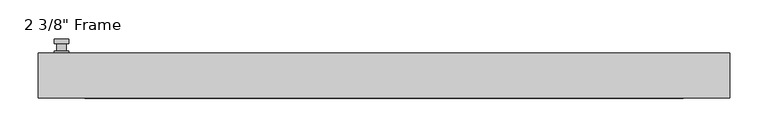
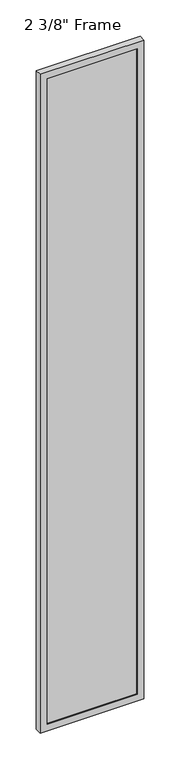
"""IFC4 building model written with IfcOpenShell, lengths in millimetres: plate geometry."""

from ifc_helpers import new_model, si_unit, frame, origin, place, context, project, spatial, polyline, circle_curve, outline, extrude, faceted_brep, source, transform, mapped, element, save
from ifc_brep_helpers import plane_surface, cylinder_surface, advanced_brep


def plate_5249f8a4(model_context):
    return source(origin(), model_context, "Body", "SolidModel", [
        advanced_brep(
        [(-410.5275, 29.36875, 927.1), (-429.5775, 29.36875, 927.1), (-429.5775, 29.36875, 901.7), (-410.5275, 29.36875, 901.7), (-413.7025, 42.06875, 914.4), (-413.7025, 32.54375, 914.4), (-426.4025, 32.54375, 914.4), (-426.4025, 42.06875, 914.4), (-410.5275, 42.06875, 914.4), (-429.5775, 42.06875, 914.4), (-426.3984644, 42.06875, 825.2736467), (-413.7065356, 42.06875, 825.2736467), (-410.5275, 48.41875, 914.4), (-413.7065356, 48.41875, 825.2736467), (-426.3984644, 48.41875, 825.2736467), (-429.5775, 48.41875, 914.4), (-410.5275, 32.54375, 927.1), (-410.5275, 32.54375, 901.7), (-429.5775, 32.54375, 901.7), (-429.5775, 32.54375, 927.1)],
        [
            (0, 1, circle_curve(frame((-420.0525, 29.36875, 927.1), z_axis=(0.0, -1.0, 0.0), x_axis=(-1.0, 0.0, 0.0)), 9.525)),
            (1, 2),
            (2, 3, circle_curve(frame((-420.0525, 29.36875, 901.7), z_axis=(0.0, -1.0, 0.0), x_axis=(-1.0, 0.0, 0.0)), 9.525)),
            (3, 0),
            (4, 5),
            (5, 6, circle_curve(frame((-420.0525, 32.54375, 914.4), z_axis=(0.0, 1.0, 0.0), x_axis=(-1.0, 0.0, 0.0)), 6.35)),
            (6, 7),
            (7, 4, circle_curve(frame((-420.0525, 42.06875, 914.4), z_axis=(0.0, -1.0, 0.0), x_axis=(-1.0, 0.0, 0.0)), 6.35)),
            (6, 5, circle_curve(frame((-420.0525, 32.54375, 914.4), z_axis=(0.0, 1.0, 0.0), x_axis=(-1.0, 0.0, 0.0)), 6.35)),
            (4, 7, circle_curve(frame((-420.0525, 42.06875, 914.4), z_axis=(0.0, -1.0, 0.0), x_axis=(-1.0, 0.0, 0.0)), 6.35)),
            (8, 9, circle_curve(frame((-420.0525, 42.06875, 914.4), z_axis=(0.0, -1.0, 0.0), x_axis=(-1.0, 0.0, 0.0)), 9.525)),
            (9, 10),
            (10, 11, circle_curve(frame((-420.0525, 42.06875, 825.5), z_axis=(0.0, -1.0, 0.0), x_axis=(-1.0, 0.0, 0.0)), 6.35)),
            (11, 8),
            (12, 13),
            (13, 14, circle_curve(frame((-420.0525, 48.41875, 825.5), z_axis=(0.0, 1.0, 0.0), x_axis=(-1.0, 0.0, 0.0)), 6.35)),
            (14, 15),
            (15, 12, circle_curve(frame((-420.0525, 48.41875, 914.4), z_axis=(0.0, 1.0, 0.0), x_axis=(-1.0, 0.0, 0.0)), 9.525)),
            (11, 13),
            (12, 8),
            (10, 14),
            (9, 15),
            (16, 17),
            (17, 18, circle_curve(frame((-420.0525, 32.54375, 901.7), z_axis=(0.0, 1.0, 0.0), x_axis=(-1.0, 0.0, 0.0)), 9.525)),
            (18, 19),
            (19, 16, circle_curve(frame((-420.0525, 32.54375, 927.1), z_axis=(0.0, 1.0, 0.0), x_axis=(-1.0, 0.0, 0.0)), 9.525)),
            (3, 17),
            (16, 0),
            (2, 18),
            (1, 19),
        ],
        [
            plane_surface(frame((-426.4025, 29.36875, 914.4), z_axis=(0.0, -1.0, 0.0), x_axis=(0.0, 0.0, 1.0))),
            cylinder_surface(frame((-420.0525, 42.06875, 914.4), z_axis=(0.0, -1.0, 0.0), x_axis=(-1.0, 0.0, 0.0)), 6.35),
            plane_surface(frame((-410.5275, 42.06875, 914.4), z_axis=(0.0, -1.0000000000000002, 0.0), x_axis=(-0.03564619348186888, 0.0, -0.9993644724975235))),
            plane_surface(frame((-410.5275, 48.41875, 914.4), z_axis=(0.0, 1.0000000000000002, 0.0), x_axis=(0.03564619348186888, 0.0, 0.9993644724975235))),
            plane_surface(frame((-410.5275, 42.06875, 914.4), z_axis=(0.9993644724975235, 0.0, -0.03564619348186888), x_axis=(0.0, 1.0, 0.0))),
            cylinder_surface(frame((-420.0525, 48.41875, 825.5), z_axis=(0.0, -1.0, 0.0), x_axis=(-1.0, 0.0, 0.0)), 6.35),
            plane_surface(frame((-426.3984644, 42.06875, 825.2736467), z_axis=(-0.9993644724975228, 0.0, -0.03564619348188612), x_axis=(0.0, 1.0, 0.0))),
            cylinder_surface(frame((-420.0525, 48.41875, 914.4), z_axis=(0.0, -1.0, 0.0), x_axis=(-1.0, 0.0, 0.0)), 9.525),
            plane_surface(frame((-410.5275, 32.54375, 901.7), z_axis=(0.0, 1.0, 0.0), x_axis=(0.0, 0.0, 1.0))),
            plane_surface(frame((-410.5275, 29.36875, 927.1), z_axis=(1.0, 0.0, 0.0), x_axis=(0.0, 1.0, 0.0))),
            cylinder_surface(frame((-420.0525, 32.54375, 901.7), z_axis=(0.0, -1.0, 0.0), x_axis=(-1.0, 0.0, 0.0)), 9.525),
            plane_surface(frame((-429.5775, 29.36875, 901.7), z_axis=(-1.0, 0.0, 0.0), x_axis=(0.0, 1.0, 0.0))),
            cylinder_surface(frame((-420.0525, 32.54375, 927.1), z_axis=(0.0, -1.0, 0.0), x_axis=(-1.0, 0.0, 0.0)), 9.525),
        ],
        [
            (0, [[1, 2, 3, 4]]),
            (1, [[5, 6, 7, 8]]),
            (1, [[-7, 9, -5, 10]]),
            (2, [[11, 12, 13, 14], [-10, -8]]),
            (3, [[15, 16, 17, 18]]),
            (4, [[19, -15, 20, -14]]),
            (5, [[21, -16, -19, -13]]),
            (6, [[22, -17, -21, -12]]),
            (7, [[-20, -18, -22, -11]]),
            (8, [[23, 24, 25, 26], [-9, -6]]),
            (9, [[27, -23, 28, -4]]),
            (10, [[29, -24, -27, -3]]),
            (11, [[30, -25, -29, -2]]),
            (12, [[-28, -26, -30, -1]]),
        ],
    ),
        faceted_brep([(-450.215, 29.36875, 0.0), (450.215, 29.36875, 0.0), (450.215, -29.36875, 0.0), (-450.215, -29.36875, 0.0), (-389.89, -29.36875, 5975.35), (-389.89, -29.36875, 60.325), (-389.89, -19.84375, 60.325), (-389.89, -19.84375, 5975.35), (402.59, -19.84375, 5988.05), (402.59, -19.84375, 47.625), (-402.59, -19.84375, 47.625), (-402.59, -19.84375, 5988.05), (389.89, -19.84375, 60.325), (389.89, -19.84375, 5975.35), (-402.59, 3.96875, 47.625), (-402.59, 3.96875, 5988.05), (402.59, 3.96875, 47.625), (402.59, 3.96875, 5988.05), (-389.89, 3.96875, 5975.35), (389.89, 3.96875, 5975.35), (389.89, 3.96875, 60.325), (-389.89, 3.96875, 60.325), (-389.89, 29.36875, 60.325), (-389.89, 29.36875, 5975.35), (-450.215, 29.36875, 6035.675), (450.215, 29.36875, 6035.675), (389.89, 29.36875, 60.325), (389.89, 29.36875, 5975.35), (-450.215, -29.36875, 6035.675), (450.215, -29.36875, 6035.675), (389.89, -29.36875, 5975.35), (389.89, -29.36875, 60.325)], [[[0, 1, 2, 3]], [[4, 5, 6, 7]], [[8, 9, 10, 11], [7, 6, 12, 13]], [[10, 14, 15, 11]], [[15, 14, 16, 17], [18, 19, 20, 21]], [[18, 21, 22, 23]], [[0, 24, 25, 1], [23, 22, 26, 27]], [[3, 28, 24, 0]], [[2, 29, 28, 3], [4, 30, 31, 5]], [[7, 13, 30, 4]], [[11, 15, 17, 8]], [[18, 23, 27, 19]], [[24, 28, 29, 25]], [[13, 12, 31, 30]], [[16, 9, 8, 17]], [[27, 26, 20, 19]], [[25, 29, 2, 1]], [[22, 21, 20, 26]], [[9, 16, 14, 10]], [[6, 5, 31, 12]]]),
        extrude(outline(polyline([(402.59, 3.96875), (402.59, -19.84375), (-402.59, -19.84375), (-402.59, 3.96875), (402.59, 3.96875)])), frame((0.0, 0.0, 47.625), z_axis=(0.0, 0.0, 1.0), x_axis=(1.0, 0.0, 0.0)), (0.0, 0.0, 1.0), 5940.425),
    ])


if __name__ == "__main__":
    model = new_model("IFC4")
    model_context = context("Model", 3, world=origin())
    ifc_project = project(units=[si_unit("LENGTHUNIT", "METRE", prefix="MILLI")], contexts=[model_context])
    site = spatial("IfcSite", under=ifc_project)
    building = spatial("IfcBuilding", under=site)
    placement = place(None, origin())
    plate_shape = plate_5249f8a4(model_context)
    element("IfcPlate", 1, ObjectType="2 3/8\" Frame", at=placement, inside=building, context=model_context, shape_type="MappedRepresentation", body=[
        mapped(plate_shape, transform((0.0, 0.0, 0.0), x_axis=(1.0, 0.0, 0.0), y_axis=(0.0, 1.0, 0.0), z_axis=(0.0, 0.0, 1.0))),
    ])
    save(model, "model.ifc")
